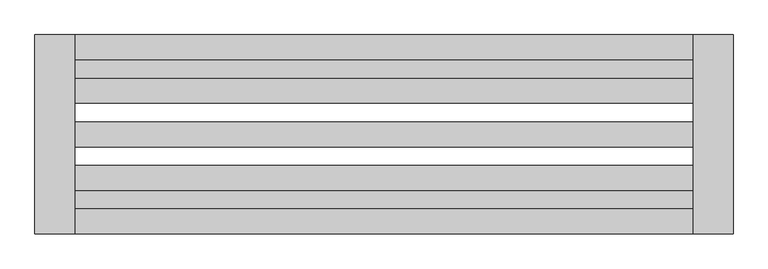
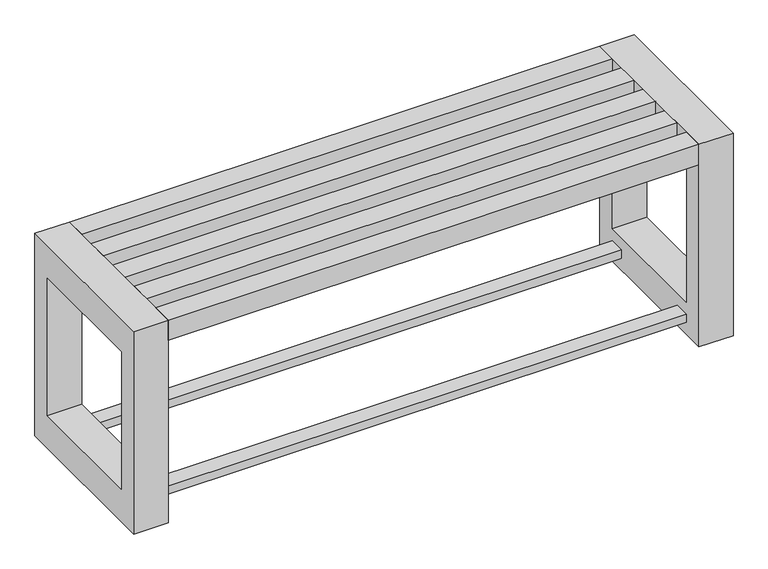
"""IFC4 building model written with IfcOpenShell, lengths in millimetres: furniture geometry."""

import ifcopenshell
import ifcopenshell.guid

model = None  # the IFC model being written
_history = None  # IfcOwnerHistory: only IFC2X3 demands one
_inside = {}  # id of a spatial element -> (the spatial element, [elements in it])
_under = {}  # id of a project, library or spatial element -> (it, [spatial elements below it])
_declared = {}  # id of a project -> (the project, [libraries it declares])
_typed = {}  # id of a type object -> (the type object, [elements of that type])
_made_of = {}  # id of a material, layer set ... -> (it, [elements and type objects made of it])


def new_model(schema):
    """Start an empty IFC model of exactly this schema.

    Asked for "IFC4X3", IfcOpenShell would pick the latest addendum, in which some entities
    have other attributes; the version numbers below select the first issue.
    IFC2X3 requires an IfcOwnerHistory on every rooted entity: one is made here for all.
    """
    global model, _history
    if schema == "IFC4X3":
        model = ifcopenshell.file(schema_version=(4, 3, 0, 0))
    else:
        model = ifcopenshell.file(schema=schema)
    _inside.clear()
    _under.clear()
    _declared.clear()
    _typed.clear()
    _made_of.clear()
    _history = None
    if model.schema == "IFC2X3":
        org = make("IfcOrganization", Name="unknown")
        user = make(
            "IfcPersonAndOrganization",
            ThePerson=make("IfcPerson", FamilyName="unknown"),
            TheOrganization=org,
        )
        app = make(
            "IfcApplication",
            ApplicationDeveloper=org,
            Version="unknown",
            ApplicationFullName="unknown",
            ApplicationIdentifier="unknown",
        )
        _history = make(
            "IfcOwnerHistory",
            OwningUser=user,
            OwningApplication=app,
            ChangeAction="ADDED",
            CreationDate=0,
        )
    return model


def make(cls, **values):
    """One entity of the class cls with the attributes given. An attribute that is None is left unset."""
    return model.create_entity(
        cls, **{name: value for name, value in values.items() if value is not None}
    )


def rooted(cls, **values):
    """An entity with a GlobalId (a new one), such as an element, a storey or a relation."""
    return make(cls, GlobalId=ifcopenshell.guid.new(), OwnerHistory=_history, **values)


def si_unit(unit_type, name, prefix=None):
    """IfcSIUnit, for example si_unit("LENGTHUNIT", "METRE", prefix="MILLI")."""
    return make("IfcSIUnit", UnitType=unit_type, Prefix=prefix, Name=name)


def assignment(units):
    """IfcUnitAssignment: the units of a project."""
    return None if units is None else make("IfcUnitAssignment", Units=units)


def point(xyz):
    """IfcCartesianPoint."""
    return None if xyz is None else make("IfcCartesianPoint", Coordinates=xyz)


def direction(xyz):
    """IfcDirection."""
    return None if xyz is None else make("IfcDirection", DirectionRatios=xyz)


def frame(location, z_axis=None, x_axis=None):
    """IfcAxis2Placement3D, a coordinate frame: its origin and axes. An axis left out is left unset."""
    return make(
        "IfcAxis2Placement3D",
        Location=point(location),
        Axis=direction(z_axis),
        RefDirection=direction(x_axis),
    )


def origin():
    """The frame at (0, 0, 0) with its axes left unset."""
    return frame((0.0, 0.0, 0.0))


def place(relative_to, where):
    """IfcLocalPlacement: puts the frame where relative to a parent placement (None: the world)."""
    return make(
        "IfcLocalPlacement", PlacementRelTo=relative_to, RelativePlacement=where
    )


def context(
    kind, dimensions, precision=None, world=None, true_north=None, identifier=None
):
    """IfcGeometricRepresentationContext, for example the 3D "Model" context."""
    return make(
        "IfcGeometricRepresentationContext",
        ContextIdentifier=identifier,
        ContextType=kind,
        CoordinateSpaceDimension=dimensions,
        Precision=precision,
        WorldCoordinateSystem=world,
        TrueNorth=true_north,
    )


def project(units=None, contexts=None):
    """IfcProject with its units and contexts."""
    return rooted(
        "IfcProject",
        Name="project",
        RepresentationContexts=contexts,
        UnitsInContext=assignment(units),
    )


def spatial(cls, under=None, at=None, **own):
    """A site, building, storey or space (cls), placed at a placement, below another one or the project."""
    s = rooted(cls, ObjectPlacement=at, **own)
    if under is not None:
        _under.setdefault(under.id(), (under, []))[1].append(s)
    return s


def polyline(points):
    """IfcPolyline through the points."""
    return make("IfcPolyline", Points=[point(p) for p in points])


def outline(outer, holes=None, kind="AREA"):
    """IfcArbitraryClosedProfileDef: a profile drawn as a closed curve; with holes, ...WithVoids."""
    if holes is None:
        return make("IfcArbitraryClosedProfileDef", ProfileType=kind, OuterCurve=outer)
    return make(
        "IfcArbitraryProfileDefWithVoids",
        ProfileType=kind,
        OuterCurve=outer,
        InnerCurves=holes,
    )


def extrude(swept, where, along, depth):
    """IfcExtrudedAreaSolid: the profile swept, set in the frame where, extruded along a direction by depth."""
    return make(
        "IfcExtrudedAreaSolid",
        SweptArea=swept,
        Position=where,
        ExtrudedDirection=direction(along),
        Depth=depth,
    )


def shape(context_of_items, identifier, shape_type, items):
    """IfcShapeRepresentation: the items that make up one representation, for example the "Body"."""
    return make(
        "IfcShapeRepresentation",
        ContextOfItems=context_of_items,
        RepresentationIdentifier=identifier,
        RepresentationType=shape_type,
        Items=items,
    )


def source(mapping_origin, context_of_items, identifier, shape_type, items):
    """IfcRepresentationMap: a shape defined once, which mapped items show again and again."""
    return make(
        "IfcRepresentationMap",
        MappingOrigin=mapping_origin,
        MappedRepresentation=shape(context_of_items, identifier, shape_type, items),
    )


def transform(
    local_origin,
    x_axis=None,
    y_axis=None,
    z_axis=None,
    scale=None,
    scale2=None,
    scale3=None,
    uniform=True,
):
    """IfcCartesianTransformationOperator3D, or its non-uniform kind. x_axis, y_axis, z_axis: its Axis1, 2, 3."""
    if uniform:
        return make(
            "IfcCartesianTransformationOperator3D",
            Axis1=direction(x_axis),
            Axis2=direction(y_axis),
            LocalOrigin=point(local_origin),
            Scale=scale,
            Axis3=direction(z_axis),
        )
    return make(
        "IfcCartesianTransformationOperator3DnonUniform",
        Axis1=direction(x_axis),
        Axis2=direction(y_axis),
        LocalOrigin=point(local_origin),
        Scale=scale,
        Axis3=direction(z_axis),
        Scale2=scale2,
        Scale3=scale3,
    )


def mapped(mapping_source, mapping_target):
    """IfcMappedItem: shows the shape of a source again, moved by a transform."""
    return make(
        "IfcMappedItem", MappingSource=mapping_source, MappingTarget=mapping_target
    )


def made_of(thing, what):
    """Note that an element or type object is made of a material, layer set ...; save() writes the relation."""
    if what is not None:
        _made_of.setdefault(what.id(), (what, []))[1].append(thing)
    return thing


def element(
    cls,
    number,
    at=None,
    inside=None,
    cuts=None,
    type_object=None,
    material=None,
    context=None,
    identifier="Body",
    shape_type=None,
    held_by="IfcProductDefinitionShape",
    body=None,
    shapes=None,
    **own,
):
    """One element of the class cls, such as IfcWall. Its Tag is "e" and its number.

    at: its placement. inside: the storey or other place that contains it. cuts: it is an
    opening in that element (IfcRelVoidsElement). A single representation is given by context,
    identifier, shape_type and body (its items); several are given by shapes. held_by: the class
    of the entity that holds the representations. save() writes the other relations.
    """
    e = rooted(cls, Tag="e%d" % number, ObjectPlacement=at, **own)
    if body is not None:
        shapes = [shape(context, identifier, shape_type, body)]
    if shapes is not None:
        e.Representation = make(held_by, Representations=shapes)
    if inside is not None:
        _inside.setdefault(inside.id(), (inside, []))[1].append(e)
    if cuts is not None:
        rooted(
            "IfcRelVoidsElement", RelatingBuildingElement=cuts, RelatedOpeningElement=e
        )
    if type_object is not None:
        _typed.setdefault(type_object.id(), (type_object, []))[1].append(e)
    return made_of(e, material)


def aggregate(whole, parts):
    """IfcRelAggregates: a whole, such as a stair, and the parts it consists of."""
    return rooted("IfcRelAggregates", RelatingObject=whole, RelatedObjects=parts)


def save(model, path):
    """Write the relations noted so far, then the file.

    IfcRelAggregates (storeys below a building ...), IfcRelContainedInSpatialStructure (elements
    in a storey), IfcRelDefinesByType, IfcRelAssociatesMaterial and IfcRelDeclares: one each for
    every whole, place, type object, material and project.
    """
    for whole, parts in _under.values():
        aggregate(whole, parts)
    for where, things in _inside.values():
        rooted(
            "IfcRelContainedInSpatialStructure",
            RelatedElements=things,
            RelatingStructure=where,
        )
    for kind, things in _typed.values():
        rooted("IfcRelDefinesByType", RelatedObjects=things, RelatingType=kind)
    for what, things in _made_of.values():
        rooted("IfcRelAssociatesMaterial", RelatedObjects=things, RelatingMaterial=what)
    for by, libraries in _declared.values():
        rooted("IfcRelDeclares", RelatingContext=by, RelatedDefinitions=libraries)
    model.write(path)


def furniture_0dc1afa8(model_context):
    return source(origin(), model_context, "Body", "SweptSolid", [
        extrude(outline(polyline([(-219.95672, 1136.5928463), (-1459.95672, 1136.5928463), (-1459.95672, 1174.0928463), (-219.95672, 1174.0928463), (-219.95672, 1136.5928463)])), frame((0.0, 0.0, 30.0), z_axis=(0.0, 0.0, 1.0), x_axis=(1.0, 0.0, 0.0)), (0.0, 0.0, 1.0), 20.0),
        extrude(outline(polyline([(-219.95672, 874.0928463), (-1459.95672, 874.0928463), (-1459.95672, 911.5928463), (-219.95672, 911.5928463), (-219.95672, 874.0928463)])), frame((0.0, 0.0, 30.0), z_axis=(0.0, 0.0, 1.0), x_axis=(1.0, 0.0, 0.0)), (0.0, 0.0, 1.0), 20.0),
        extrude(outline(polyline([(824.0928463, 500.0), (1224.0928463, 500.0), (1224.0928463, 0.0), (824.0928463, 0.0), (824.0928463, 500.0)]), holes=[polyline([(874.0928463, 420.0), (874.0928463, 80.0), (1174.0928463, 80.0), (1174.0928463, 420.0), (874.0928463, 420.0)])]), frame((-1539.95672, 0.0, 0.0), z_axis=(1.0, 0.0, 0.0), x_axis=(0.0, 1.0, 0.0)), (0.0, 0.0, 1.0), 80.0),
        extrude(outline(polyline([(824.0928463, 500.0), (1224.0928463, 500.0), (1224.0928463, 0.0), (824.0928463, 0.0), (824.0928463, 500.0)]), holes=[polyline([(1174.0928463, 420.0), (874.0928463, 420.0), (874.0928463, 80.0), (1174.0928463, 80.0), (1174.0928463, 420.0)])]), frame((-219.95672, 0.0, 0.0), z_axis=(1.0, 0.0, 0.0), x_axis=(0.0, 1.0, 0.0)), (0.0, 0.0, 1.0), 80.0),
        extrude(outline(polyline([(-1459.95672, 824.0928463), (-1459.95672, 874.0928463), (-219.95672, 874.0928463), (-219.95672, 824.0928463), (-1459.95672, 824.0928463)])), frame((0.0, 0.0, 450.0), z_axis=(0.0, 0.0, 1.0), x_axis=(1.0, 0.0, 0.0)), (0.0, 0.0, 1.0), 50.0),
        extrude(outline(polyline([(-1459.95672, 911.5928463), (-1459.95672, 961.5928463), (-219.95672, 961.5928463), (-219.95672, 911.5928463), (-1459.95672, 911.5928463)])), frame((0.0, 0.0, 450.0), z_axis=(0.0, 0.0, 1.0), x_axis=(1.0, 0.0, 0.0)), (0.0, 0.0, 1.0), 50.0),
        extrude(outline(polyline([(-1459.95672, 999.0928463), (-1459.95672, 1049.0928463), (-219.95672, 1049.0928463), (-219.95672, 999.0928463), (-1459.95672, 999.0928463)])), frame((0.0, 0.0, 450.0), z_axis=(0.0, 0.0, 1.0), x_axis=(1.0, 0.0, 0.0)), (0.0, 0.0, 1.0), 50.0),
        extrude(outline(polyline([(-219.95672, 1136.5928463), (-219.95672, 1086.5928463), (-1459.95672, 1086.5928463), (-1459.95672, 1136.5928463), (-219.95672, 1136.5928463)])), frame((0.0, 0.0, 450.0), z_axis=(0.0, 0.0, 1.0), x_axis=(1.0, 0.0, 0.0)), (0.0, 0.0, 1.0), 50.0),
        extrude(outline(polyline([(-1459.95672, 1174.0928463), (-1459.95672, 1224.0928463), (-219.95672, 1224.0928463), (-219.95672, 1174.0928463), (-1459.95672, 1174.0928463)])), frame((0.0, 0.0, 450.0), z_axis=(0.0, 0.0, 1.0), x_axis=(1.0, 0.0, 0.0)), (0.0, 0.0, 1.0), 50.0),
    ])


if __name__ == "__main__":
    model = new_model("IFC4")
    model_context = context("Model", 3, world=origin())
    ifc_project = project(units=[si_unit("LENGTHUNIT", "METRE", prefix="MILLI")], contexts=[model_context])
    site = spatial("IfcSite", under=ifc_project)
    building = spatial("IfcBuilding", under=site)
    placement = place(None, origin())
    furniture_shape = furniture_0dc1afa8(model_context)
    element("IfcFurniture", 1, at=placement, inside=building, context=model_context, shape_type="MappedRepresentation", body=[
        mapped(furniture_shape, transform((0.0, 0.0, 0.0), x_axis=(1.0, 0.0, 0.0), y_axis=(0.0, 1.0, 0.0), z_axis=(0.0, 0.0, 1.0))),
    ])
    save(model, "model.ifc")
